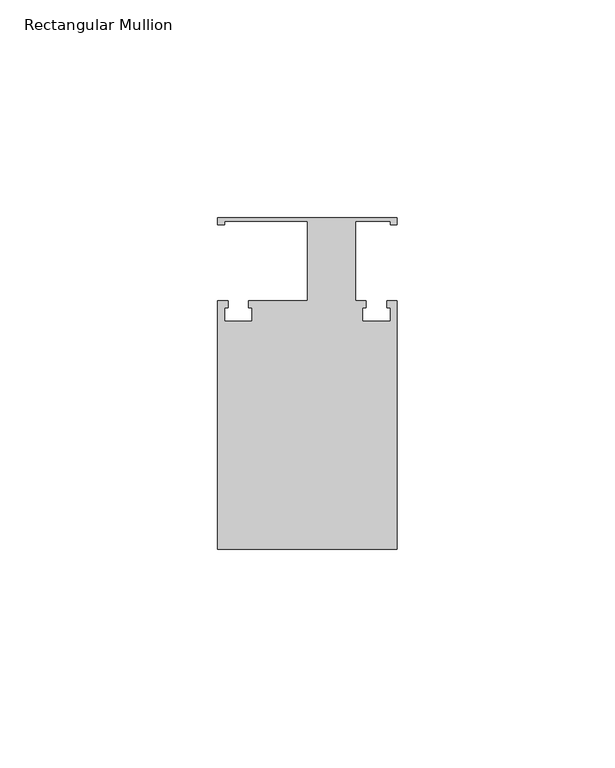
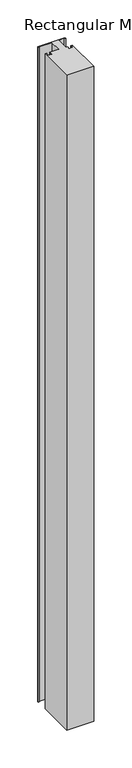
"""IFC4 building model written with IfcOpenShell, lengths in millimetres: member geometry, Rectangular Mullion."""

from ifc_helpers import new_model, si_unit, frame, origin, place, context, project, spatial, polyline, outline, extrude, source, transform, mapped, element, save


def rectangular_mullion_0404c6b7(model_context):
    return source(origin(), model_context, "Body", "SweptSolid", [
        extrude(outline(polyline([(20.6375, 38.1), (20.6375, 36.5125), (19.05, 36.5125), (19.05, 37.30625), (11.1125, 37.30625), (11.1125, 19.05), (13.49375, 19.05), (13.49375, 17.4625), (12.7, 17.4625), (12.7, 14.2875), (19.05, 14.2875), (19.05, 17.4625), (18.25625, 17.4625), (18.25625, 19.05), (20.6375, 19.05), (20.6375, -38.1), (-20.6375, -38.1), (-20.6375, 19.05), (-18.25625, 19.05), (-18.25625, 17.4625), (-19.05, 17.4625), (-19.05, 14.2875), (-12.7, 14.2875), (-12.7, 17.4625), (-13.49375, 17.4625), (-13.49375, 19.05), (0.0, 19.05), (0.0, 37.30625), (-19.05, 37.30625), (-19.05, 36.5125), (-20.6375, 36.5125), (-20.6375, 38.1), (20.6375, 38.1)])), frame((0.0, 0.0, -1055.9226245), z_axis=(0.0, 0.0, 1.0), x_axis=(1.0, 0.0, 0.0)), (0.0, 0.0, 1.0), 1055.9226245),
    ])


if __name__ == "__main__":
    model = new_model("IFC4")
    model_context = context("Model", 3, world=origin())
    ifc_project = project(units=[si_unit("LENGTHUNIT", "METRE", prefix="MILLI")], contexts=[model_context])
    site = spatial("IfcSite", under=ifc_project)
    building = spatial("IfcBuilding", under=site)
    placement = place(None, origin())
    rectangular_mullion_shape = rectangular_mullion_0404c6b7(model_context)
    element("IfcMember", 1, ObjectType="Rectangular Mullion", at=placement, inside=building, context=model_context, shape_type="MappedRepresentation", body=[
        mapped(rectangular_mullion_shape, transform((0.0, 0.0, 0.0), x_axis=(1.0, 0.0, 0.0), y_axis=(0.0, 1.0, 0.0), z_axis=(0.0, 0.0, 1.0))),
    ])
    save(model, "model.ifc")
